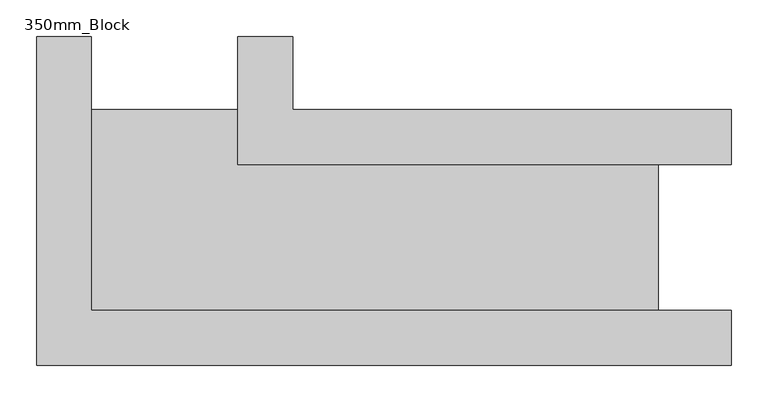
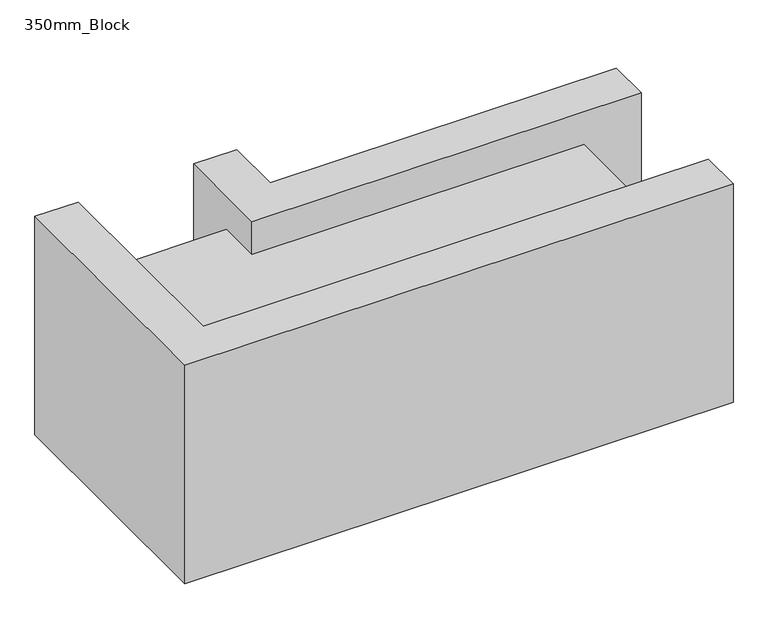
"""IFC4 building model written with IfcOpenShell, lengths in millimetres: plate geometry, 350mm_Block."""

from ifc_helpers import new_model, si_unit, frame, origin, origin_with_axes, place, context, project, spatial, polyline, outline, extrude, source, transform, mapped, element, save


def plate_350mm_block_43cace9e(model_context):
    return source(origin(), model_context, "Body", "SweptSolid", [
        extrude(outline(polyline([(300.0, -175.0), (-650.0, -175.0), (-650.0, 275.0), (-575.0, 275.0), (-575.0, -100.0), (300.0, -100.0), (300.0, -175.0)])), origin_with_axes(), (0.0, 0.0, 1.0), 400.0),
        extrude(outline(polyline([(300.0, 100.0), (-375.0, 100.0), (-375.0, 275.0), (-300.0, 275.0), (-300.0, 175.0), (300.0, 175.0), (300.0, 100.0)])), origin_with_axes(), (0.0, 0.0, 1.0), 400.0),
        extrude(outline(polyline([(200.0, -100.0), (-575.0, -100.0), (-575.0, 175.0), (-375.0, 175.0), (-375.0, 100.0), (200.0, 100.0), (200.0, -100.0)])), frame((0.0, 0.0, 59.45), z_axis=(0.0, 0.0, 1.0), x_axis=(1.0, 0.0, 0.0)), (0.0, 0.0, 1.0), 281.1),
    ])


if __name__ == "__main__":
    model = new_model("IFC4")
    model_context = context("Model", 3, world=origin())
    ifc_project = project(units=[si_unit("LENGTHUNIT", "METRE", prefix="MILLI")], contexts=[model_context])
    site = spatial("IfcSite", under=ifc_project)
    building = spatial("IfcBuilding", under=site)
    placement = place(None, origin())
    plate_350mm_block_shape = plate_350mm_block_43cace9e(model_context)
    element("IfcPlate", 1, ObjectType="350mm_Block", at=placement, inside=building, context=model_context, shape_type="MappedRepresentation", body=[
        mapped(plate_350mm_block_shape, transform((0.0, 0.0, 0.0), x_axis=(1.0, 0.0, 0.0), y_axis=(0.0, 1.0, 0.0), z_axis=(0.0, 0.0, 1.0))),
    ])
    save(model, "model.ifc")
